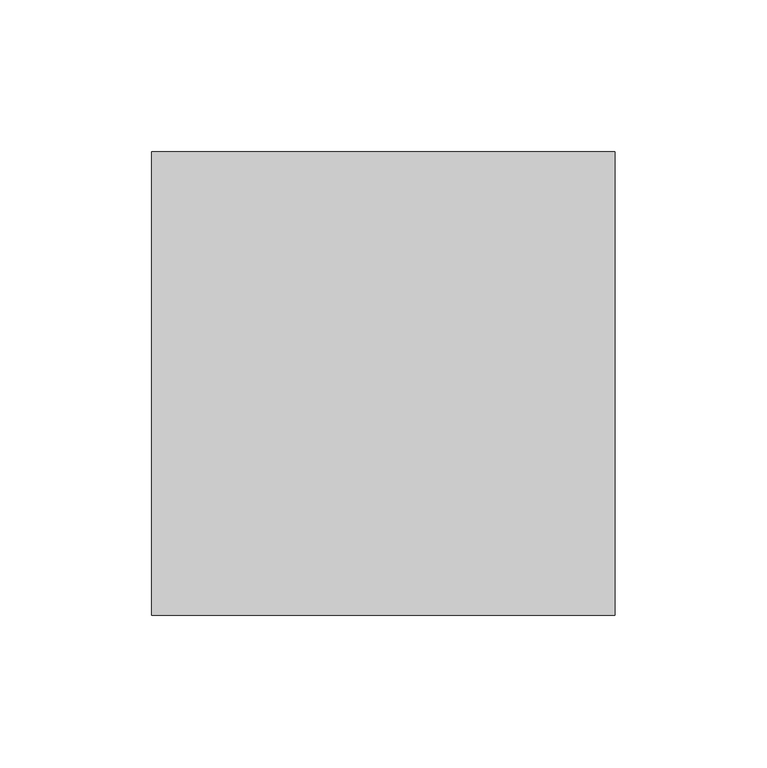
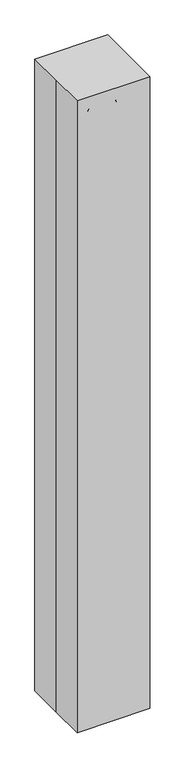
"""IFC4 building model written with IfcOpenShell, lengths in millimetres: proxy geometry."""

from ifc_helpers import new_model, si_unit, point, frame, origin, origin_with_axes, place, context, project, spatial, polyline, circle_curve, ellipse_curve, trimmed, outline, extrude, source, transform, mapped, element, save
from ifc_brep_helpers import plane_surface, cylinder_surface, revolved_surface, advanced_brep


def specialty_equipment_7175bac1(model_context):
    return source(origin(), model_context, "Body", "SolidModel", [
        extrude(outline(polyline([(-12.7, -34.925), (-50.8, -34.925), (-50.8, -9.525), (-12.7, -9.525), (-12.7, -34.925)])), origin_with_axes(), (0.0, 0.0, 1.0), 101.6),
        advanced_brep(
        [(-25.4, -22.225, 101.6), (-38.1, -22.225, 101.6), (25.4, -22.225, 0.0), (38.1, -22.225, 0.0), (-25.4, -22.225, 1314.45), (-38.1, -22.225, 1314.45), (38.1, -22.225, 1314.45), (25.4, -22.225, 1314.45)],
        [
            (0, 1, circle_curve(frame((-31.75, -22.225, 101.6), z_axis=(0.0, 0.0, -1.0), x_axis=(-1.0, 0.0, 0.0)), 6.35)),
            (1, 0, circle_curve(frame((-31.75, -22.225, 101.6), z_axis=(0.0, 0.0, -1.0), x_axis=(-1.0, 0.0, 0.0)), 6.35)),
            (2, 3, circle_curve(frame((31.75, -22.225, 0.0), z_axis=(0.0, 0.0, -1.0), x_axis=(1.0, 0.0, 0.0)), 6.35)),
            (3, 2, circle_curve(frame((31.75, -22.225, 0.0), z_axis=(0.0, 0.0, -1.0), x_axis=(1.0, 0.0, 0.0)), 6.35)),
            (0, 4),
            (4, 5, circle_curve(frame((-31.75, -22.225, 1314.45), z_axis=(0.0, 0.0, -1.0), x_axis=(-1.0, 0.0, 0.0)), 6.35)),
            (5, 1),
            (5, 4, circle_curve(frame((-31.75, -22.225, 1314.45), z_axis=(0.0, 0.0, -1.0), x_axis=(-1.0, 0.0, 0.0)), 6.35)),
            (6, 7, circle_curve(frame((31.75, -22.225, 1314.45), z_axis=(0.0, 0.0, -1.0), x_axis=(1.0, 0.0, 0.0)), 6.35)),
            (7, 2),
            (3, 6),
            (7, 6, circle_curve(frame((31.75, -22.225, 1314.45), z_axis=(0.0, 0.0, -1.0), x_axis=(1.0, 0.0, 0.0)), 6.35)),
            (6, 5, circle_curve(frame((0.0, -22.225, 1314.45), z_axis=(0.0, -1.0, 0.0), x_axis=(-1.0, 0.0, 0.0)), 38.1)),
            (4, 7, circle_curve(frame((0.0, -22.225, 1314.45), z_axis=(0.0, 1.0, 0.0), x_axis=(-1.0, 0.0, 0.0)), 25.4)),
        ],
        [
            plane_surface(frame((-31.75, 41.275, 101.6), z_axis=(0.0, 0.0, -1.0), x_axis=(0.0, -1.0, 0.0))),
            plane_surface(frame((31.75, 41.275, 0.0), z_axis=(0.0, 0.0, -1.0), x_axis=(0.0, -1.0, 0.0))),
            cylinder_surface(frame((-31.75, -22.225, 101.6), z_axis=(0.0, 0.0, -1.0), x_axis=(-1.0, 0.0, 0.0)), 6.35),
            cylinder_surface(frame((31.75, -22.225, 1314.45), z_axis=(0.0, 0.0, 1.0), x_axis=(1.0, 0.0, 0.0)), 6.35),
            revolved_surface(trimmed(ellipse_curve(frame((-31.75, -22.225, 1314.45), z_axis=(0.0, 0.0, -1.0), x_axis=(-1.0, 0.0, 0.0)), 6.35, 6.35), [point((-25.4, -22.225, 1314.45))], [point((-38.1, -22.225, 1314.45))], True, "CARTESIAN"), (0.0, 41.275, 1314.45), (0.0, 1.0, 0.0)),
            revolved_surface(trimmed(ellipse_curve(frame((-31.75, -22.225, 1314.45), z_axis=(0.0, 0.0, -1.0), x_axis=(-1.0, 0.0, 0.0)), 6.35, 6.35), [point((-38.1, -22.225, 1314.45))], [point((-25.4, -22.225, 1314.45))], True, "CARTESIAN"), (0.0, 41.275, 1314.45), (0.0, 1.0, 0.0)),
        ],
        [
            (0, [[1, 2]]),
            (1, [[3, 4]]),
            (2, [[-1, 5, 6, 7]]),
            (2, [[-2, -7, 8, -5]]),
            (3, [[9, 10, -4, 11]]),
            (3, [[12, -11, -3, -10]]),
            (4, [[13, -6, 14, -9]]),
            (5, [[-14, -8, -13, -12]]),
        ],
    ),
        extrude(outline(polyline([(-76.2, 76.2), (76.2, 76.2), (76.2, -76.2), (-76.2, -76.2), (-76.2, 0.0), (-76.2, 76.2)])), origin_with_axes(), (0.0, 0.0, 1.0), 1397.0),
    ])


if __name__ == "__main__":
    model = new_model("IFC4")
    model_context = context("Model", 3, world=origin())
    ifc_project = project(units=[si_unit("LENGTHUNIT", "METRE", prefix="MILLI")], contexts=[model_context])
    site = spatial("IfcSite", under=ifc_project)
    building = spatial("IfcBuilding", under=site)
    placement = place(None, origin())
    specialty_equipment_shape = specialty_equipment_7175bac1(model_context)
    element("IfcBuildingElementProxy", 1, Name="Specialty Equipment", at=placement, inside=building, context=model_context, shape_type="MappedRepresentation", body=[
        mapped(specialty_equipment_shape, transform((0.0, 0.0, 0.0), x_axis=(1.0, 0.0, 0.0), y_axis=(0.0, 1.0, 0.0), z_axis=(0.0, 0.0, 1.0))),
    ])
    save(model, "model.ifc")
